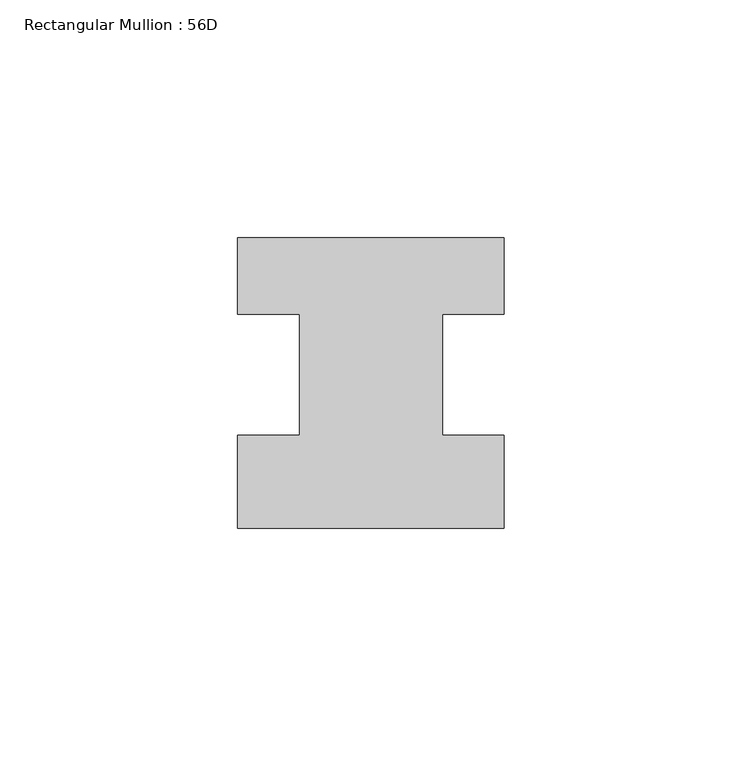
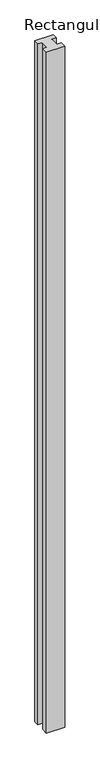
"""IFC4 building model written with IfcOpenShell, lengths in millimetres: member geometry, Rectangular Mullion : 56D."""

from ifc_helpers import new_model, si_unit, frame, origin, place, context, project, spatial, polyline, outline, extrude, source, transform, mapped, element, save


def rectangular_mullion_56d_988497f3(model_context):
    return source(origin(), model_context, "Body", "SweptSolid", [
        extrude(outline(polyline([(28.0, -20.0), (-28.0, -20.0), (-28.0, -0.5), (-15.0, -0.5), (-15.0, 25.0), (-28.0, 25.0), (-28.0, 41.0), (28.0, 41.0), (28.0, 25.0), (15.0, 25.0), (15.0, -0.5), (28.0, -0.5), (28.0, -20.0)])), frame((0.0, 0.0, -2200.0), z_axis=(0.0, 0.0, 1.0), x_axis=(1.0, 0.0, 0.0)), (0.0, 0.0, 1.0), 2200.0),
    ])


if __name__ == "__main__":
    model = new_model("IFC4")
    model_context = context("Model", 3, world=origin())
    ifc_project = project(units=[si_unit("LENGTHUNIT", "METRE", prefix="MILLI")], contexts=[model_context])
    site = spatial("IfcSite", under=ifc_project)
    building = spatial("IfcBuilding", under=site)
    placement = place(None, origin())
    rectangular_mullion_56d_shape = rectangular_mullion_56d_988497f3(model_context)
    element("IfcMember", 1, ObjectType="Rectangular Mullion : 56D", at=placement, inside=building, context=model_context, shape_type="MappedRepresentation", body=[
        mapped(rectangular_mullion_56d_shape, transform((0.0, 0.0, 0.0), x_axis=(1.0, 0.0, 0.0), y_axis=(0.0, 1.0, 0.0), z_axis=(0.0, 0.0, 1.0))),
    ])
    save(model, "model.ifc")
